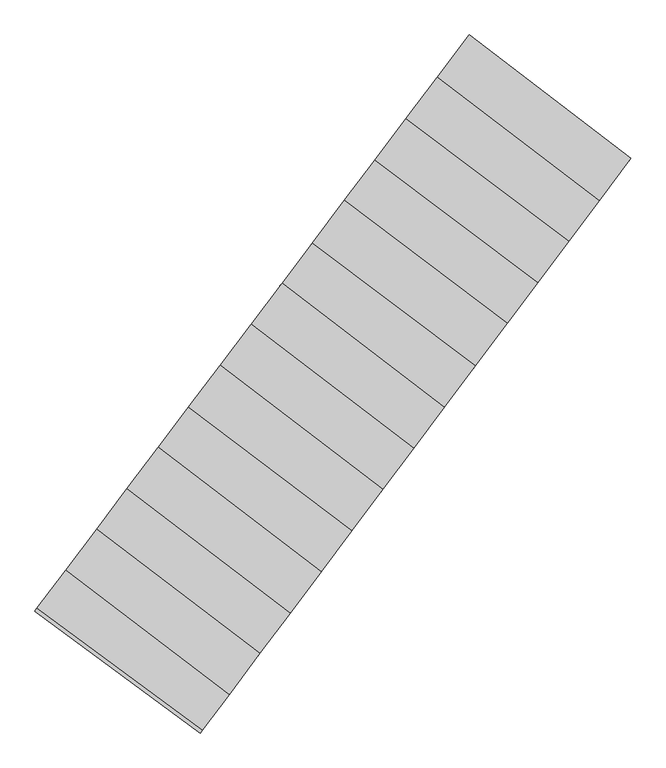
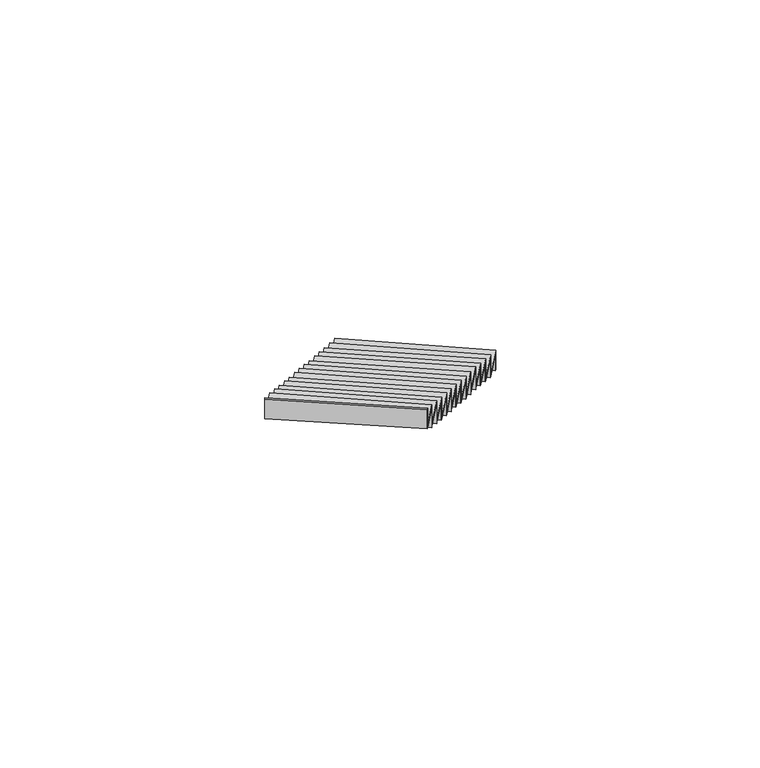
"""IFC4 building model written with IfcOpenShell, lengths in millimetres: stair flight geometry."""

from ifc_helpers import new_model, si_unit, frame, origin, place, context, project, spatial, polyline, outline, extrude, source, transform, mapped, element, save


def stair_flight_f8d37f90(model_context):
    return source(origin(), model_context, "Body", "SweptSolid", [
        extrude(outline(polyline([(105615.5436732, 25978.1457298), (105627.5801725, 25994.118704), (106572.068064, 25273.8453168), (106560.0779599, 25257.8369613), (105615.5436732, 25978.1457298)])), frame((0.0, 0.0, -2486.5), z_axis=(0.0, 0.0, 1.0), x_axis=(1.0, 0.0, 0.0)), (0.0, 0.0, 1.0), 151.5197413),
        extrude(outline(polyline([(106387.3769574, 25027.258559), (105442.1744105, 25748.0769476), (105627.5801725, 25994.118704), (106572.068064, 25273.8453168), (106387.3769574, 25027.258559)])), frame((0.0, 0.0, -2334.9802587), z_axis=(0.0, 0.0, 1.0), x_axis=(1.0, 0.0, 0.0)), (0.0, 0.0, 1.0), 20.0),
        extrude(outline(polyline([(105430.1379111, 25732.1039734), (105442.1744105, 25748.0769476), (106387.3769574, 25027.258559), (106375.3868533, 25011.2502034), (105430.1379111, 25732.1039734)])), frame((0.0, 0.0, -2334.9802587), z_axis=(0.0, 0.0, 1.0), x_axis=(1.0, 0.0, 0.0)), (0.0, 0.0, 1.0), 171.5197413),
        extrude(outline(polyline([(106209.9936203, 24790.4286282), (105257.9004982, 25503.5372065), (105442.1744105, 25748.0769476), (106387.3769574, 25027.258559), (106209.9936203, 24790.4286282)])), frame((0.0, 0.0, -2163.4605175), z_axis=(0.0, 0.0, 1.0), x_axis=(1.0, 0.0, 0.0)), (0.0, 0.0, 1.0), 20.0),
        extrude(outline(polyline([(105245.8641465, 25487.5644284), (105257.9004982, 25503.5372065), (106209.9936203, 24790.4286282), (106198.0039665, 24774.4208739), (105245.8641465, 25487.5644284)])), frame((0.0, 0.0, -2163.4605175), z_axis=(0.0, 0.0, 1.0), x_axis=(1.0, 0.0, 0.0)), (0.0, 0.0, 1.0), 171.5197413),
        extrude(outline(polyline([(106028.3459264, 24547.9052239), (105075.5453149, 25261.5437049), (105257.9004982, 25503.5372065), (106209.9936203, 24790.4286282), (106028.3459264, 24547.9052239)])), frame((0.0, 0.0, -1991.9407762), z_axis=(0.0, 0.0, 1.0), x_axis=(1.0, 0.0, 0.0)), (0.0, 0.0, 1.0), 20.0),
        extrude(outline(polyline([(105063.5089633, 25245.5709267), (105075.5453149, 25261.5437049), (106028.3459264, 24547.9052239), (106016.3562725, 24531.8974695), (105063.5089633, 25245.5709267)])), frame((0.0, 0.0, -1991.9407762), z_axis=(0.0, 0.0, 1.0), x_axis=(1.0, 0.0, 0.0)), (0.0, 0.0, 1.0), 171.5197413),
        extrude(outline(polyline([(105850.6365652, 24310.6400084), (104899.2352387, 25027.5723312), (105075.5453149, 25261.5437049), (106028.3459264, 24547.9052239), (105850.6365652, 24310.6400084)])), frame((0.0, 0.0, -1820.421035), z_axis=(0.0, 0.0, 1.0), x_axis=(1.0, 0.0, 0.0)), (0.0, 0.0, 1.0), 20.0),
        extrude(outline(polyline([(104887.1989383, 25011.599621), (104899.2352387, 25027.5723312), (105850.6365652, 24310.6400084), (105838.6468603, 24294.6321859), (104887.1989383, 25011.599621)])), frame((0.0, 0.0, -1820.421035), z_axis=(0.0, 0.0, 1.0), x_axis=(1.0, 0.0, 0.0)), (0.0, 0.0, 1.0), 171.5197413),
        extrude(outline(polyline([(105663.533039, 24060.8323552), (104711.404572, 24778.3126177), (104899.2352387, 25027.5723312), (105850.6365652, 24310.6400084), (105663.533039, 24060.8323552)])), frame((0.0, 0.0, -1648.9012937), z_axis=(0.0, 0.0, 1.0), x_axis=(1.0, 0.0, 0.0)), (0.0, 0.0, 1.0), 20.0),
        extrude(outline(polyline([(104699.3682716, 24762.3399075), (104711.404572, 24778.3126177), (105663.533039, 24060.8323552), (105651.5433341, 24044.8245327), (104699.3682716, 24762.3399075)])), frame((0.0, 0.0, -1648.9012937), z_axis=(0.0, 0.0, 1.0), x_axis=(1.0, 0.0, 0.0)), (0.0, 0.0, 1.0), 171.5197413),
        extrude(outline(polyline([(105483.6814771, 23820.7070219), (104534.9821139, 24544.1921082), (104711.404572, 24778.3126177), (105663.533039, 24060.8323552), (105483.6814771, 23820.7070219)])), frame((0.0, 0.0, -1477.3815524), z_axis=(0.0, 0.0, 1.0), x_axis=(1.0, 0.0, 0.0)), (0.0, 0.0, 1.0), 20.0),
        extrude(outline(polyline([(104522.9456145, 24528.219134), (104534.9821139, 24544.1921082), (105483.6814771, 23820.7070219), (105471.691373, 23804.6986663), (104522.9456145, 24528.219134)])), frame((0.0, 0.0, -1477.3815524), z_axis=(0.0, 0.0, 1.0), x_axis=(1.0, 0.0, 0.0)), (0.0, 0.0, 1.0), 171.5197413),
        extrude(outline(polyline([(105303.8299152, 23580.5816885), (104354.4346231, 24304.5974954), (104534.9821139, 24544.1921082), (105483.6814771, 23820.7070219), (105303.8299152, 23580.5816885)])), frame((0.0, 0.0, -1305.8618112), z_axis=(0.0, 0.0, 1.0), x_axis=(1.0, 0.0, 0.0)), (0.0, 0.0, 1.0), 20.0),
        extrude(outline(polyline([(104342.3981237, 24288.6245212), (104354.4346231, 24304.5974954), (105303.8299152, 23580.5816885), (105291.8398111, 23564.573333), (104342.3981237, 24288.6245212)])), frame((0.0, 0.0, -1305.8618112), z_axis=(0.0, 0.0, 1.0), x_axis=(1.0, 0.0, 0.0)), (0.0, 0.0, 1.0), 171.5197413),
        extrude(outline(polyline([(105123.9783533, 23340.4563552), (104173.8871322, 24065.0028826), (104354.4346231, 24304.5974954), (105303.8299152, 23580.5816885), (105123.9783533, 23340.4563552)])), frame((0.0, 0.0, -1134.3420699), z_axis=(0.0, 0.0, 1.0), x_axis=(1.0, 0.0, 0.0)), (0.0, 0.0, 1.0), 20.0),
        extrude(outline(polyline([(104161.8506328, 24049.0299084), (104173.8871322, 24065.0028826), (105123.9783533, 23340.4563552), (105111.9882492, 23324.4479996), (104161.8506328, 24049.0299084)])), frame((0.0, 0.0, -1134.3420699), z_axis=(0.0, 0.0, 1.0), x_axis=(1.0, 0.0, 0.0)), (0.0, 0.0, 1.0), 171.5197413),
        extrude(outline(polyline([(104943.4084574, 23099.371952), (103988.4813702, 23818.9611262), (104173.8871322, 24065.0028826), (105123.9783533, 23340.4563552), (104943.4084574, 23099.371952)])), frame((0.0, 0.0, -962.8223286), z_axis=(0.0, 0.0, 1.0), x_axis=(1.0, 0.0, 0.0)), (0.0, 0.0, 1.0), 20.0),
        extrude(outline(polyline([(103976.4450697, 23802.988416), (103988.4813702, 23818.9611262), (104943.4084574, 23099.371952), (104931.4187525, 23083.3641295), (103976.4450697, 23802.988416)])), frame((0.0, 0.0, -962.8223286), z_axis=(0.0, 0.0, 1.0), x_axis=(1.0, 0.0, 0.0)), (0.0, 0.0, 1.0), 171.5197413),
        extrude(outline(polyline([(104764.4960257, 22860.5004801), (103813.0138009, 23586.1077971), (103988.4813702, 23818.9611262), (104943.4084574, 23099.371952), (104764.4960257, 22860.5004801)])), frame((0.0, 0.0, -791.3025874), z_axis=(0.0, 0.0, 1.0), x_axis=(1.0, 0.0, 0.0)), (0.0, 0.0, 1.0), 20.0),
        extrude(outline(polyline([(103800.9773016, 23570.1348229), (103813.0138009, 23586.1077971), (104764.4960257, 22860.5004801), (104752.5059215, 22844.4921246), (103800.9773016, 23570.1348229)])), frame((0.0, 0.0, -791.3025874), z_axis=(0.0, 0.0, 1.0), x_axis=(1.0, 0.0, 0.0)), (0.0, 0.0, 1.0), 171.5197413),
        extrude(outline(polyline([(104581.6020327, 22616.3131038), (103629.4121064, 23342.4601191), (103813.0138009, 23586.1077971), (104764.4960257, 22860.5004801), (104581.6020327, 22616.3131038)])), frame((0.0, 0.0, -619.7828461), z_axis=(0.0, 0.0, 1.0), x_axis=(1.0, 0.0, 0.0)), (0.0, 0.0, 1.0), 20.0),
        extrude(outline(polyline([(103617.375607, 23326.487145), (103629.4121064, 23342.4601191), (104581.6020327, 22616.3131038), (104569.6119286, 22600.3047483), (103617.375607, 23326.487145)])), frame((0.0, 0.0, -619.7828461), z_axis=(0.0, 0.0, 1.0), x_axis=(1.0, 0.0, 0.0)), (0.0, 0.0, 1.0), 171.5197413),
        extrude(outline(polyline([(104405.8151421, 22381.6146378), (103452.945015, 23108.2803793), (103629.4121064, 23342.4601191), (104581.6020327, 22616.3131038), (104405.8151421, 22381.6146378)])), frame((0.0, 0.0, -448.2631049), z_axis=(0.0, 0.0, 1.0), x_axis=(1.0, 0.0, 0.0)), (0.0, 0.0, 1.0), 20.0),
        extrude(outline(polyline([(103440.9085156, 23092.3074051), (103452.945015, 23108.2803793), (104405.8151421, 22381.6146378), (104393.825038, 22365.6062822), (103440.9085156, 23092.3074051)])), frame((0.0, 0.0, -448.2631049), z_axis=(0.0, 0.0, 1.0), x_axis=(1.0, 0.0, 0.0)), (0.0, 0.0, 1.0), 171.5197413),
        extrude(outline(polyline([(104226.1244851, 22141.7041335), (103272.5590516, 22868.9001207), (103452.945015, 23108.2803793), (104405.8151421, 22381.6146378), (104226.1244851, 22141.7041335)])), frame((0.0, 0.0, -276.7433636), z_axis=(0.0, 0.0, 1.0), x_axis=(1.0, 0.0, 0.0)), (0.0, 0.0, 1.0), 20.0),
        extrude(outline(polyline([(103260.5225522, 22852.9271465), (103272.5590516, 22868.9001207), (104226.1244851, 22141.7041335), (104214.134381, 22125.6957779), (103260.5225522, 22852.9271465)])), frame((0.0, 0.0, -276.7433636), z_axis=(0.0, 0.0, 1.0), x_axis=(1.0, 0.0, 0.0)), (0.0, 0.0, 1.0), 171.5197413),
        extrude(outline(polyline([(103091.8376603, 22629.0747341), (103103.8746505, 22645.0483597), (104069.9276628, 21933.1609679), (104057.9376452, 21917.152728), (103091.8376603, 22629.0747341)])), frame((0.0, 0.0, -105.2236223), z_axis=(0.0, 0.0, 1.0), x_axis=(1.0, 0.0, 0.0)), (0.0, 0.0, 1.0), 171.5197413),
        extrude(outline(polyline([(104069.9276628, 21933.1609679), (103103.8746505, 22645.0483597), (103272.5590516, 22868.9001207), (104226.1244851, 22141.7041335), (104069.9276628, 21933.1609679)])), frame((0.0, 0.0, -105.2236223), z_axis=(0.0, 0.0, 1.0), x_axis=(1.0, 0.0, 0.0)), (0.0, 0.0, 1.0), 20.0),
    ])


if __name__ == "__main__":
    model = new_model("IFC4")
    model_context = context("Model", 3, world=origin())
    ifc_project = project(units=[si_unit("LENGTHUNIT", "METRE", prefix="MILLI")], contexts=[model_context])
    site = spatial("IfcSite", under=ifc_project)
    building = spatial("IfcBuilding", under=site)
    placement = place(None, origin())
    stair_flight_shape = stair_flight_f8d37f90(model_context)
    element("IfcStairFlight", 1, at=placement, inside=building, context=model_context, shape_type="MappedRepresentation", body=[
        mapped(stair_flight_shape, transform((0.0, 0.0, 0.0), x_axis=(1.0, 0.0, 0.0), y_axis=(0.0, 1.0, 0.0), z_axis=(0.0, 0.0, 1.0))),
    ])
    save(model, "model.ifc")
